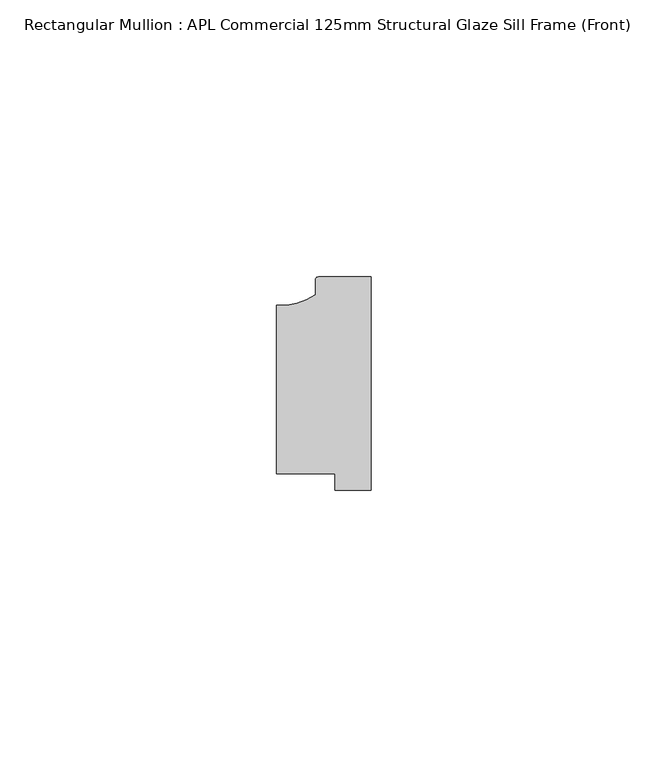
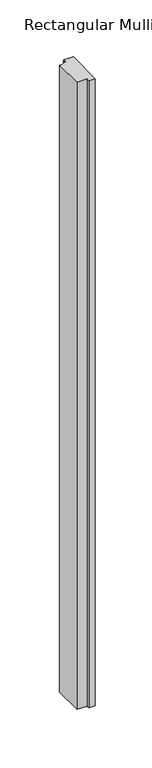
"""IFC4 building model written with IfcOpenShell, lengths in millimetres: member geometry, Rectangular Mullion : APL Commercial 125mm Structural Glaze Sill Frame (Front)."""

from ifc_helpers import new_model, si_unit, point, frame, frame_2d, origin, place, context, project, spatial, polyline, circle_curve, trimmed, segment, composite_curve, outline, extrude, source, transform, mapped, element, save


def rectangular_mullion_apl_commercial_125mm_structural_glaze_f314b81b(model_context):
    return source(origin(), model_context, "Body", "SweptSolid", [
        extrude(outline(composite_curve([segment(trimmed(circle_curve(frame_2d((-16.1098048, 25.7977481)), 10.4563907), [point((-16.999942, 15.3793144))], [point((-10.0, 17.3120901))], True, "CARTESIAN"), True, "CONTINUOUS"), segment(polyline([(-10.0, 17.3120901), (-10.0, 19.9980675)]), True, "CONTINUOUS"), segment(trimmed(circle_curve(frame_2d((-9.5000029, 19.99978)), 0.5), [point((-10.0, 19.9980675))], [point((-9.5000029, 20.49978))], False, "CARTESIAN"), True, "CONTINUOUS"), segment(polyline([(-9.5000029, 20.49978), (0.0, 20.49978), (0.0, -18.0281616), (-6.5000029, -18.0281616), (-6.5000029, -15.0004332), (-16.999942, -15.0004332), (-16.999942, 15.3793144)]), True, "CONTINUOUS")], self_intersect=False)), frame((0.0, 0.0, -673.5145618), z_axis=(0.0, 0.0, 1.0), x_axis=(1.0, 0.0, 0.0)), (0.0, 0.0, 1.0), 673.5145618),
    ])


if __name__ == "__main__":
    model = new_model("IFC4")
    model_context = context("Model", 3, world=origin())
    ifc_project = project(units=[si_unit("LENGTHUNIT", "METRE", prefix="MILLI")], contexts=[model_context])
    site = spatial("IfcSite", under=ifc_project)
    building = spatial("IfcBuilding", under=site)
    placement = place(None, origin())
    rectangular_mullion_apl_commercial_125mm_structural_glaze_shape = rectangular_mullion_apl_commercial_125mm_structural_glaze_f314b81b(model_context)
    element("IfcMember", 1, ObjectType="Rectangular Mullion : APL Commercial 125mm Structural Glaze Sill Frame (Front)", at=placement, inside=building, context=model_context, shape_type="MappedRepresentation", body=[
        mapped(rectangular_mullion_apl_commercial_125mm_structural_glaze_shape, transform((0.0, 0.0, 0.0), x_axis=(1.0, 0.0, 0.0), y_axis=(0.0, 1.0, 0.0), z_axis=(0.0, 0.0, 1.0))),
    ])
    save(model, "model.ifc")
